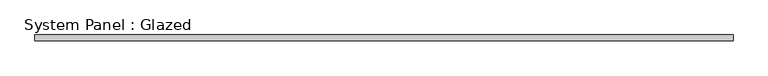
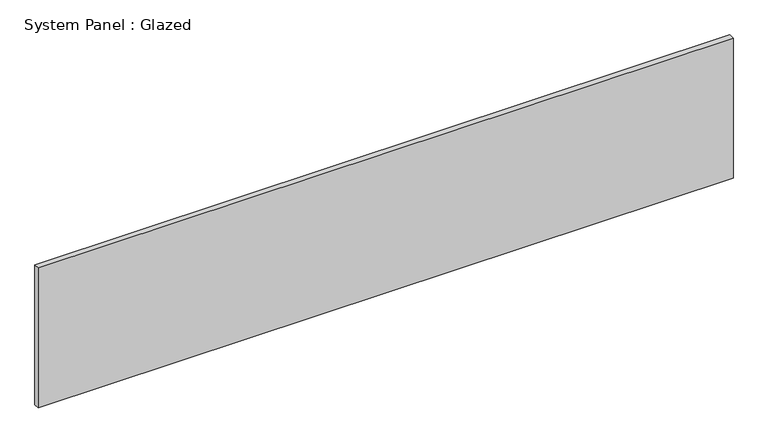
"""IFC4 building model written with IfcOpenShell, lengths in millimetres: plate geometry, System Panel : Glazed."""

from ifc_helpers import new_model, si_unit, origin, origin_with_axes, place, context, project, spatial, polyline, outline, extrude, source, transform, mapped, element, save


def system_panel_glazed_e143d037(model_context):
    return source(origin(), model_context, "Body", "SweptSolid", [
        extrude(outline(polyline([(1525.7474196, 24.5), (-1525.7474196, 24.5), (-1525.7474196, 49.5), (1525.7474196, 49.5), (1525.7474196, 24.5)])), origin_with_axes(), (0.0, 0.0, 1.0), 650.0),
    ])


if __name__ == "__main__":
    model = new_model("IFC4")
    model_context = context("Model", 3, world=origin())
    ifc_project = project(units=[si_unit("LENGTHUNIT", "METRE", prefix="MILLI")], contexts=[model_context])
    site = spatial("IfcSite", under=ifc_project)
    building = spatial("IfcBuilding", under=site)
    placement = place(None, origin())
    system_panel_glazed_shape = system_panel_glazed_e143d037(model_context)
    element("IfcPlate", 1, ObjectType="System Panel : Glazed", at=placement, inside=building, context=model_context, shape_type="MappedRepresentation", body=[
        mapped(system_panel_glazed_shape, transform((0.0, 0.0, 0.0), x_axis=(1.0, 0.0, 0.0), y_axis=(0.0, 1.0, 0.0), z_axis=(0.0, 0.0, 1.0))),
    ])
    save(model, "model.ifc")
